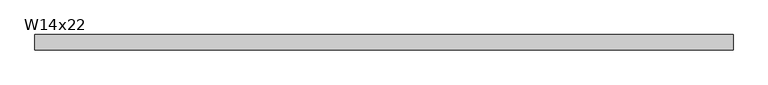
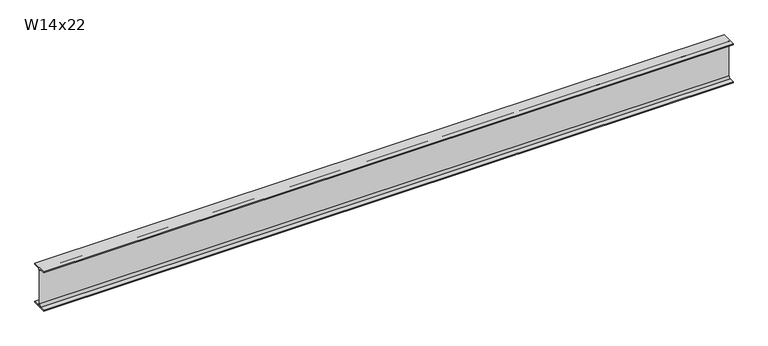
"""IFC4 building model written with IfcOpenShell, lengths in millimetres: beam geometry, W14x22."""

from ifc_helpers import new_model, si_unit, point, frame, frame_2d, origin, place, context, project, spatial, polyline, circle_curve, trimmed, segment, composite_curve, outline, extrude, source, transform, mapped, element, save


def w14x22_ea76fc8d(model_context):
    return source(origin(), model_context, "Body", "SweptSolid", [
        extrude(outline(composite_curve([segment(polyline([(63.5, -165.481), (63.5, -173.99), (-63.5, -173.99), (-63.5, -165.481), (-21.3995, -165.481)]), True, "CONTINUOUS"), segment(trimmed(circle_curve(frame_2d((-21.3995, -147.0025)), 18.4785), [point((-21.3995, -165.481))], [point((-2.921, -147.0025))], True, "CARTESIAN"), True, "CONTINUOUS"), segment(polyline([(-2.921, -147.0025), (-2.921, 147.0025)]), True, "CONTINUOUS"), segment(trimmed(circle_curve(frame_2d((-21.3995, 147.0025)), 18.4785), [point((-2.921, 147.0025))], [point((-21.3995, 165.481))], True, "CARTESIAN"), True, "CONTINUOUS"), segment(polyline([(-21.3995, 165.481), (-63.5, 165.481), (-63.5, 173.99), (63.5, 173.99), (63.5, 165.481), (21.3995, 165.481)]), True, "CONTINUOUS"), segment(trimmed(circle_curve(frame_2d((21.3995, 147.0025)), 18.4785), [point((21.3995, 165.481))], [point((2.921, 147.0025))], True, "CARTESIAN"), True, "CONTINUOUS"), segment(polyline([(2.921, 147.0025), (2.921, -147.0025)]), True, "CONTINUOUS"), segment(trimmed(circle_curve(frame_2d((21.3995, -147.0025)), 18.4785), [point((2.921, -147.0025))], [point((21.3995, -165.481))], True, "CARTESIAN"), True, "CONTINUOUS"), segment(polyline([(21.3995, -165.481), (63.5, -165.481)]), True, "CONTINUOUS")], self_intersect=False)), frame((-2895.6, 0.0, 0.0), z_axis=(1.0, 0.0, 0.0), x_axis=(0.0, 1.0, 0.0)), (0.0, 0.0, 1.0), 5791.1475666),
    ])


if __name__ == "__main__":
    model = new_model("IFC4")
    model_context = context("Model", 3, world=origin())
    ifc_project = project(units=[si_unit("LENGTHUNIT", "METRE", prefix="MILLI")], contexts=[model_context])
    site = spatial("IfcSite", under=ifc_project)
    building = spatial("IfcBuilding", under=site)
    placement = place(None, origin())
    w14x22_shape = w14x22_ea76fc8d(model_context)
    element("IfcBeam", 1, ObjectType="W14x22", at=placement, inside=building, context=model_context, shape_type="MappedRepresentation", body=[
        mapped(w14x22_shape, transform((0.0, 0.0, 0.0), x_axis=(1.0, 0.0, 0.0), y_axis=(0.0, 1.0, 0.0), z_axis=(0.0, 0.0, 1.0))),
    ])
    save(model, "model.ifc")
